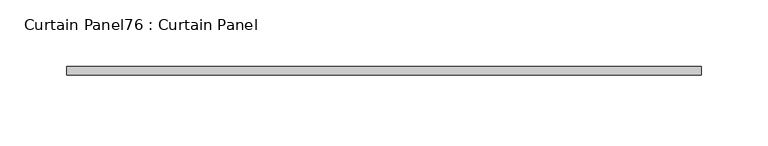
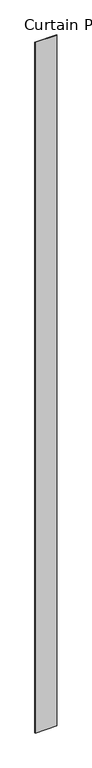
"""IFC4 building model written with IfcOpenShell, lengths in millimetres: plate geometry, Curtain Panel76 : Curtain Panel."""

from ifc_helpers import new_model, si_unit, frame, origin, place, context, project, spatial, polyline, outline, extrude, source, transform, mapped, element, save


def curtain_panel76_curtain_panel_9f30b323(model_context):
    return source(origin(), model_context, "Body", "SweptSolid", [
        extrude(outline(polyline([(167325.1180684, 8038.1084949), (166851.4917433, 8038.1084949), (166851.4917433, 8044.4584949), (167325.1180684, 8044.4584949), (167325.1180684, 8038.1084949)])), frame((0.0, 0.0, 1433.7679301), z_axis=(0.0, 0.0, 1.0), x_axis=(1.0, 0.0, 0.0)), (0.0, 0.0, 1.0), 15837.0064664),
    ])


if __name__ == "__main__":
    model = new_model("IFC4")
    model_context = context("Model", 3, world=origin())
    ifc_project = project(units=[si_unit("LENGTHUNIT", "METRE", prefix="MILLI")], contexts=[model_context])
    site = spatial("IfcSite", under=ifc_project)
    building = spatial("IfcBuilding", under=site)
    placement = place(None, origin())
    curtain_panel76_curtain_panel_shape = curtain_panel76_curtain_panel_9f30b323(model_context)
    element("IfcPlate", 1, ObjectType="Curtain Panel76 : Curtain Panel", at=placement, inside=building, context=model_context, shape_type="MappedRepresentation", body=[
        mapped(curtain_panel76_curtain_panel_shape, transform((0.0, 0.0, 0.0), x_axis=(1.0, 0.0, 0.0), y_axis=(0.0, 1.0, 0.0), z_axis=(0.0, 0.0, 1.0))),
    ])
    save(model, "model.ifc")
